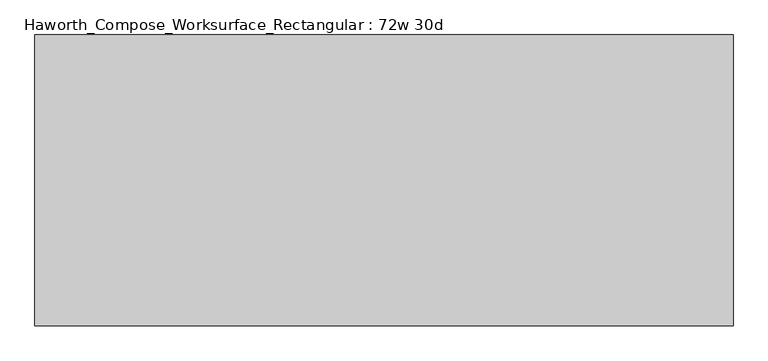
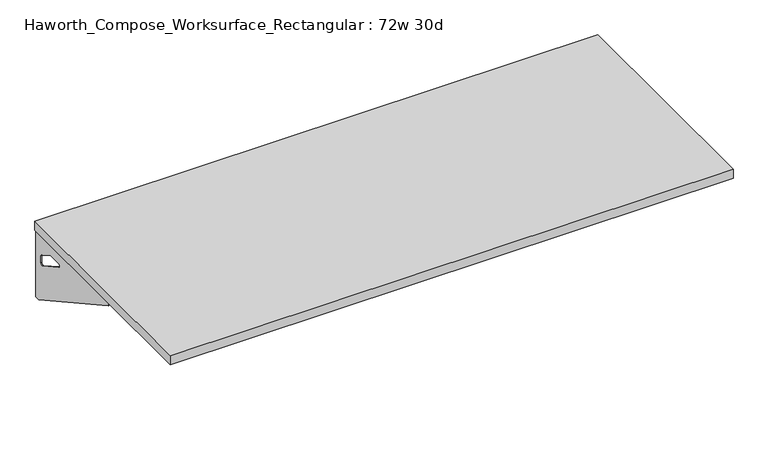
"""IFC4 building model written with IfcOpenShell, lengths in millimetres: furniture geometry, Haworth_Compose_Worksurface_Rectangular : 72w 30d."""

from ifc_helpers import new_model, si_unit, frame, origin, place, context, project, spatial, polyline, circle_curve, outline, extrude, source, transform, mapped, element, save
from ifc_brep_helpers import plane_surface, revolved_surface, advanced_brep


def haworth_compose_worksurface_rectangular_72w_30d_4d3e3ecb(model_context):
    return source(origin(), model_context, "Body", "SolidModel", [
        advanced_brep(
        [(908.84375, 381.0, 475.45625), (908.84375, 365.125, 475.45625), (908.84375, -25.4, 691.7192568), (908.84375, -25.4, 704.05625), (908.84375, 365.125, 704.05625), (908.84375, 381.0, 704.05625), (908.84375, 297.690072, 665.95625), (908.84375, 254.0355284, 665.95625), (908.84375, 251.3564235, 656.3705539), (908.84375, 343.0776173, 605.5776439), (908.84375, 352.425, 611.1756969), (908.84375, 352.425, 634.6860246), (908.84375, 350.6730055, 637.5242776), (908.84375, 300.7663437, 665.1613425), (911.225, 381.0, 475.45625), (911.225, 381.0, 704.05625), (911.225, 365.125, 704.05625), (911.225, 365.125, 706.4375), (911.225, -25.4, 706.4375), (911.225, -25.4, 691.7192568), (911.225, 365.125, 475.45625), (911.225, 297.690072, 665.95625), (911.225, 300.7663437, 665.1613425), (911.225, 350.6730055, 637.5242776), (911.225, 352.425, 634.6860246), (911.225, 352.425, 611.1756969), (911.225, 343.0776173, 605.5776439), (911.225, 251.3564235, 656.3705539), (911.225, 254.0355284, 665.95625), (869.95, -25.4, 706.4375), (869.95, -25.4, 704.05625), (869.95, 365.125, 704.05625), (869.95, 365.125, 706.4375)],
        [
            (0, 1),
            (1, 2),
            (2, 3),
            (3, 4),
            (4, 5),
            (5, 0),
            (6, 7),
            (7, 8, circle_curve(frame((908.84375, 254.0355284, 660.7890106), z_axis=(1.0, 0.0, 0.0), x_axis=(0.0, -1.0, 0.0)), 5.1672394)),
            (8, 9),
            (9, 10, circle_curve(frame((908.84375, 346.075, 611.1756969), z_axis=(1.0, 0.0, 0.0), x_axis=(0.0, -1.0, 0.0)), 6.35)),
            (10, 11),
            (11, 12, circle_curve(frame((908.84375, 349.25, 634.6860246), z_axis=(1.0, 0.0, 0.0), x_axis=(0.0, -1.0, 0.0)), 3.175)),
            (12, 13),
            (13, 6, circle_curve(frame((908.84375, 297.690072, 659.60625), z_axis=(1.0, 0.0, 0.0), x_axis=(0.0, -1.0, 0.0)), 6.35)),
            (14, 15),
            (15, 16),
            (16, 17),
            (17, 18),
            (18, 19),
            (19, 20),
            (20, 14),
            (21, 22, circle_curve(frame((911.225, 297.690072, 659.60625), z_axis=(-1.0, 0.0, 0.0), x_axis=(0.0, -1.0, 0.0)), 6.35)),
            (22, 23),
            (23, 24, circle_curve(frame((911.225, 349.25, 634.6860246), z_axis=(-1.0, 0.0, 0.0), x_axis=(0.0, -1.0, 0.0)), 3.175)),
            (24, 25),
            (25, 26, circle_curve(frame((911.225, 346.075, 611.1756969), z_axis=(-1.0, 0.0, 0.0), x_axis=(0.0, -1.0, 0.0)), 6.35)),
            (26, 27),
            (27, 28, circle_curve(frame((911.225, 254.0355284, 660.7890106), z_axis=(-1.0, 0.0, 0.0), x_axis=(0.0, -1.0, 0.0)), 5.1672394)),
            (28, 21),
            (4, 16),
            (15, 5),
            (14, 0),
            (20, 1),
            (19, 2),
            (18, 29),
            (29, 30),
            (30, 3),
            (6, 21),
            (28, 7),
            (9, 26),
            (25, 10),
            (24, 11),
            (23, 12),
            (27, 8),
            (31, 4),
            (30, 31),
            (32, 29),
            (17, 32),
            (31, 32),
            (22, 13),
        ],
        [
            plane_surface(frame((908.84375, 381.0, 475.45625), z_axis=(-1.0, 0.0, 0.0), x_axis=(0.0, 1.0, 0.0))),
            plane_surface(frame((911.225, 381.0, 475.45625), z_axis=(1.0, 0.0, 0.0), x_axis=(0.0, -1.0, 0.0))),
            plane_surface(frame((911.225, -25.4, 704.05625), z_axis=(0.0, 0.0, 1.0), x_axis=(-1.0, 0.0, 0.0))),
            plane_surface(frame((911.225, 381.0, 704.05625), z_axis=(0.0, 1.0, 0.0), x_axis=(-1.0, 0.0, 0.0))),
            plane_surface(frame((911.225, 381.0, 475.45625), z_axis=(0.0, 0.0, -1.0), x_axis=(-1.0, 0.0, 0.0))),
            plane_surface(frame((911.225, 365.125, 475.45625), z_axis=(0.0, -0.48445223513455843, -0.8748177135112952), x_axis=(-1.0, 0.0, 0.0))),
            plane_surface(frame((911.225, -25.4, 691.7192568), z_axis=(0.0, -1.0, 0.0), x_axis=(-1.0, 0.0, 0.0))),
            plane_surface(frame((911.225, 297.690072, 665.95625), z_axis=(0.0, 0.0, -1.0), x_axis=(-1.0, 0.0, 0.0))),
            revolved_surface(polyline([(908.84375, 339.72499999999997, 611.1756969), (911.225, 339.72499999999997, 611.1756969)]), (911.225, 346.075, 611.1756969), (-1.0, 0.0, 0.0)),
            plane_surface(frame((911.225, 352.425, 611.1756969), z_axis=(0.0, -1.0, 0.0), x_axis=(-1.0, 0.0, 0.0))),
            revolved_surface(polyline([(908.84375, 346.075, 634.6860246), (911.225, 346.075, 634.6860246)]), (911.225, 349.25, 634.6860246), (-1.0, 0.0, 0.0)),
            revolved_surface(polyline([(908.84375, 248.868289, 660.7890106), (911.225, 248.868289, 660.7890106)]), (911.225, 254.0355284, 660.7890106), (-1.0, 0.0, 0.0)),
            plane_surface(frame((911.225, 365.125, 704.05625), z_axis=(0.0, 0.0, -1.0), x_axis=(-1.0, 0.0, 0.0))),
            plane_surface(frame((911.225, 365.125, 706.4375), z_axis=(0.0, 0.0, 1.0), x_axis=(1.0, 0.0, 0.0))),
            plane_surface(frame((869.95, 365.125, 706.4375), z_axis=(0.0, 1.0, 0.0), x_axis=(0.0, 0.0, -1.0))),
            plane_surface(frame((869.95, -25.4, 706.4375), z_axis=(-1.0, 0.0, 0.0), x_axis=(0.0, 0.0, -1.0))),
            plane_surface(frame((911.225, 251.3564235, 656.3705539), z_axis=(0.0, 0.4844522351345583, 0.8748177135112953), x_axis=(-1.0, 0.0, 0.0))),
            plane_surface(frame((911.225, 350.6730055, 637.5242776), z_axis=(0.0, -0.4844522351345582, -0.8748177135112953), x_axis=(-1.0, 0.0, 0.0))),
            revolved_surface(polyline([(908.84375, 291.34007199999996, 659.60625), (911.225, 291.34007199999996, 659.60625)]), (911.225, 297.690072, 659.60625), (-1.0, 0.0, 0.0)),
        ],
        [
            (0, [[1, 2, 3, 4, 5, 6], [7, 8, 9, 10, 11, 12, 13, 14]]),
            (1, [[15, 16, 17, 18, 19, 20, 21], [22, 23, 24, 25, 26, 27, 28, 29]]),
            (2, [[-5, 30, -16, 31]]),
            (3, [[-31, -15, 32, -6]]),
            (4, [[-32, -21, 33, -1]]),
            (5, [[-33, -20, 34, -2]]),
            (6, [[-34, -19, 35, 36, 37, -3]]),
            (7, [[38, -29, 39, -7]]),
            (8, [[40, -26, 41, -10]]),
            (9, [[-41, -25, 42, -11]]),
            (10, [[-42, -24, 43, -12]]),
            (11, [[-39, -28, 44, -8]]),
            (12, [[45, -4, -37, 46]]),
            (13, [[47, -35, -18, 48]]),
            (14, [[-17, -30, -45, 49, -48]]),
            (15, [[-36, -47, -49, -46]]),
            (16, [[-44, -27, -40, -9]]),
            (17, [[-43, -23, 50, -13]]),
            (18, [[-50, -22, -38, -14]]),
        ],
    ),
        advanced_brep(
        [(-908.84375, 381.0, 475.45625), (-908.84375, 381.0, 704.05625), (-908.84375, 365.125, 704.05625), (-908.84375, -25.4, 704.05625), (-908.84375, -25.4, 691.7192568), (-908.84375, 365.125, 475.45625), (-908.84375, 297.690072, 665.95625), (-908.84375, 300.7663437, 665.1613425), (-908.84375, 350.6730055, 637.5242776), (-908.84375, 352.425, 634.6860246), (-908.84375, 352.425, 611.1756969), (-908.84375, 343.0776173, 605.5776439), (-908.84375, 251.3564235, 656.3705539), (-908.84375, 254.0355284, 665.95625), (-911.225, 381.0, 475.45625), (-911.225, 365.125, 475.45625), (-911.225, -25.4, 691.7192568), (-911.225, -25.4, 706.4375), (-911.225, 365.125, 706.4375), (-911.225, 365.125, 704.05625), (-911.225, 381.0, 704.05625), (-911.225, 297.690072, 665.95625), (-911.225, 254.0355284, 665.95625), (-911.225, 251.3564235, 656.3705539), (-911.225, 343.0776173, 605.5776439), (-911.225, 352.425, 611.1756969), (-911.225, 352.425, 634.6860246), (-911.225, 350.6730055, 637.5242776), (-911.225, 300.7663437, 665.1613425), (-869.95, -25.4, 704.05625), (-869.95, -25.4, 706.4375), (-869.95, 365.125, 704.05625), (-869.95, 365.125, 706.4375)],
        [
            (0, 1),
            (1, 2),
            (2, 3),
            (3, 4),
            (4, 5),
            (5, 0),
            (6, 7, circle_curve(frame((-908.84375, 297.690072, 659.60625), z_axis=(-1.0, 0.0, 0.0), x_axis=(0.0, -1.0, 0.0)), 6.35)),
            (7, 8),
            (8, 9, circle_curve(frame((-908.84375, 349.25, 634.6860246), z_axis=(-1.0, 0.0, 0.0), x_axis=(0.0, -1.0, 0.0)), 3.175)),
            (9, 10),
            (10, 11, circle_curve(frame((-908.84375, 346.075, 611.1756969), z_axis=(-1.0, 0.0, 0.0), x_axis=(0.0, -1.0, 0.0)), 6.35)),
            (11, 12),
            (12, 13, circle_curve(frame((-908.84375, 254.0355284, 660.7890106), z_axis=(-1.0, 0.0, 0.0), x_axis=(0.0, -1.0, 0.0)), 5.1672394)),
            (13, 6),
            (14, 15),
            (15, 16),
            (16, 17),
            (17, 18),
            (18, 19),
            (19, 20),
            (20, 14),
            (21, 22),
            (22, 23, circle_curve(frame((-911.225, 254.0355284, 660.7890106), z_axis=(1.0, 0.0, 0.0), x_axis=(0.0, -1.0, 0.0)), 5.1672394)),
            (23, 24),
            (24, 25, circle_curve(frame((-911.225, 346.075, 611.1756969), z_axis=(1.0, 0.0, 0.0), x_axis=(0.0, -1.0, 0.0)), 6.35)),
            (25, 26),
            (26, 27, circle_curve(frame((-911.225, 349.25, 634.6860246), z_axis=(1.0, 0.0, 0.0), x_axis=(0.0, -1.0, 0.0)), 3.175)),
            (27, 28),
            (28, 21, circle_curve(frame((-911.225, 297.690072, 659.60625), z_axis=(1.0, 0.0, 0.0), x_axis=(0.0, -1.0, 0.0)), 6.35)),
            (1, 20),
            (19, 2),
            (0, 14),
            (5, 15),
            (4, 16),
            (3, 29),
            (29, 30),
            (30, 17),
            (13, 22),
            (21, 6),
            (10, 25),
            (24, 11),
            (9, 26),
            (8, 27),
            (12, 23),
            (31, 29),
            (2, 31),
            (32, 18),
            (30, 32),
            (32, 31),
            (7, 28),
        ],
        [
            plane_surface(frame((-908.84375, 381.0, 475.45625), z_axis=(1.0, 0.0, 0.0), x_axis=(0.0, 1.0, 0.0))),
            plane_surface(frame((-911.225, 381.0, 475.45625), z_axis=(-1.0, 0.0, 0.0), x_axis=(0.0, -1.0, 0.0))),
            plane_surface(frame((-911.225, -25.4, 704.05625), z_axis=(0.0, 0.0, 1.0), x_axis=(1.0, 0.0, 0.0))),
            plane_surface(frame((-911.225, 381.0, 704.05625), z_axis=(0.0, 1.0, 0.0), x_axis=(1.0, 0.0, 0.0))),
            plane_surface(frame((-911.225, 381.0, 475.45625), z_axis=(0.0, 0.0, -1.0), x_axis=(1.0, 0.0, 0.0))),
            plane_surface(frame((-911.225, 365.125, 475.45625), z_axis=(0.0, -0.48445223513455843, -0.8748177135112952), x_axis=(1.0, 0.0, 0.0))),
            plane_surface(frame((-911.225, -25.4, 691.7192568), z_axis=(0.0, -1.0, 0.0), x_axis=(1.0, 0.0, 0.0))),
            plane_surface(frame((-911.225, 297.690072, 665.95625), z_axis=(0.0, 0.0, -1.0), x_axis=(1.0, 0.0, 0.0))),
            revolved_surface(polyline([(-908.84375, 339.72499999999997, 611.1756969), (-911.225, 339.72499999999997, 611.1756969)]), (-911.225, 346.075, 611.1756969), (1.0, 0.0, 0.0)),
            plane_surface(frame((-911.225, 352.425, 611.1756969), z_axis=(0.0, -1.0, 0.0), x_axis=(1.0, 0.0, 0.0))),
            revolved_surface(polyline([(-908.84375, 346.075, 634.6860246), (-911.225, 346.075, 634.6860246)]), (-911.225, 349.25, 634.6860246), (1.0, 0.0, 0.0)),
            revolved_surface(polyline([(-908.84375, 248.868289, 660.7890106), (-911.225, 248.868289, 660.7890106)]), (-911.225, 254.0355284, 660.7890106), (1.0, 0.0, 0.0)),
            plane_surface(frame((-911.225, 365.125, 704.05625), z_axis=(0.0, 0.0, -1.0), x_axis=(1.0, 0.0, 0.0))),
            plane_surface(frame((-911.225, 365.125, 706.4375), z_axis=(0.0, 0.0, 1.0), x_axis=(-1.0, 0.0, 0.0))),
            plane_surface(frame((-869.95, 365.125, 706.4375), z_axis=(0.0, 1.0, 0.0), x_axis=(0.0, 0.0, -1.0))),
            plane_surface(frame((-869.95, -25.4, 706.4375), z_axis=(1.0, 0.0, 0.0), x_axis=(0.0, 0.0, -1.0))),
            plane_surface(frame((-911.225, 251.3564235, 656.3705539), z_axis=(0.0, 0.4844522351345583, 0.8748177135112953), x_axis=(1.0, 0.0, 0.0))),
            plane_surface(frame((-911.225, 350.6730055, 637.5242776), z_axis=(0.0, -0.4844522351345582, -0.8748177135112953), x_axis=(1.0, 0.0, 0.0))),
            revolved_surface(polyline([(-908.84375, 291.34007199999996, 659.60625), (-911.225, 291.34007199999996, 659.60625)]), (-911.225, 297.690072, 659.60625), (1.0, 0.0, 0.0)),
        ],
        [
            (0, [[1, 2, 3, 4, 5, 6], [7, 8, 9, 10, 11, 12, 13, 14]]),
            (1, [[15, 16, 17, 18, 19, 20, 21], [22, 23, 24, 25, 26, 27, 28, 29]]),
            (2, [[30, -20, 31, -2]]),
            (3, [[-1, 32, -21, -30]]),
            (4, [[-6, 33, -15, -32]]),
            (5, [[-5, 34, -16, -33]]),
            (6, [[-4, 35, 36, 37, -17, -34]]),
            (7, [[-14, 38, -22, 39]]),
            (8, [[-11, 40, -25, 41]]),
            (9, [[-10, 42, -26, -40]]),
            (10, [[-9, 43, -27, -42]]),
            (11, [[-13, 44, -23, -38]]),
            (12, [[45, -35, -3, 46]]),
            (13, [[47, -18, -37, 48]]),
            (14, [[-47, 49, -46, -31, -19]]),
            (15, [[-45, -49, -48, -36]]),
            (16, [[-12, -41, -24, -44]]),
            (17, [[-8, 50, -28, -43]]),
            (18, [[-7, -39, -29, -50]]),
        ],
    ),
        extrude(outline(polyline([(914.4, 381.0), (914.4, -381.0), (-914.4, -381.0), (-914.4, 381.0), (914.4, 381.0)])), frame((0.0, 0.0, 706.4375), z_axis=(0.0, 0.0, 1.0), x_axis=(1.0, 0.0, 0.0)), (0.0, 0.0, 1.0), 30.1625),
    ])


if __name__ == "__main__":
    model = new_model("IFC4")
    model_context = context("Model", 3, world=origin())
    ifc_project = project(units=[si_unit("LENGTHUNIT", "METRE", prefix="MILLI")], contexts=[model_context])
    site = spatial("IfcSite", under=ifc_project)
    building = spatial("IfcBuilding", under=site)
    placement = place(None, origin())
    haworth_compose_worksurface_rectangular_72w_30d_shape = haworth_compose_worksurface_rectangular_72w_30d_4d3e3ecb(model_context)
    element("IfcFurniture", 1, ObjectType="Haworth_Compose_Worksurface_Rectangular : 72w 30d", at=placement, inside=building, context=model_context, shape_type="MappedRepresentation", body=[
        mapped(haworth_compose_worksurface_rectangular_72w_30d_shape, transform((0.0, 0.0, 0.0), x_axis=(1.0, 0.0, 0.0), y_axis=(0.0, 1.0, 0.0), z_axis=(0.0, 0.0, 1.0))),
    ])
    save(model, "model.ifc")
